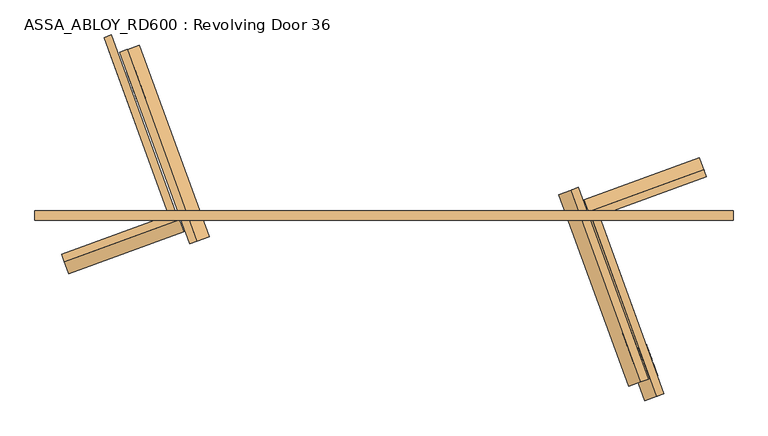
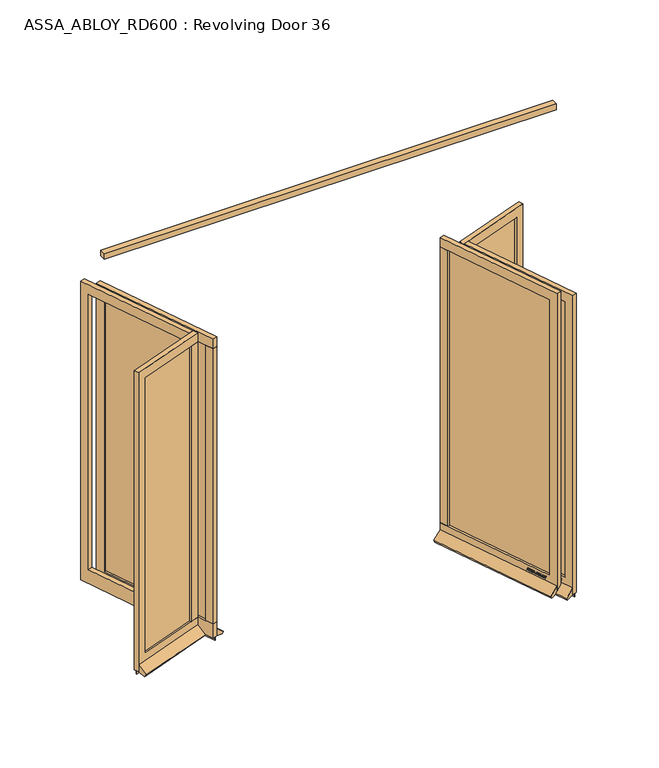
"""IFC4 building model written with IfcOpenShell, lengths in millimetres: door geometry, ASSA_ABLOY_RD600 : Revolving Door 36."""

from ifc_helpers import new_model, si_unit, frame, origin, place, context, project, spatial, polyline, outline, extrude, source, transform, mapped, element, save


def assa_abloy_rd600_revolving_door_36_b6f8ceaa(model_context):
    return source(origin(), model_context, "Body", "SweptSolid", [
        extrude(outline(polyline([(1841.0, -25.0), (-1841.0, -25.0), (-1841.0, 25.0), (1841.0, 25.0), (1841.0, -25.0)])), frame((0.0, 0.0, 3500.0), z_axis=(0.0, 0.0, 1.0), x_axis=(1.0, 0.0, 0.0)), (0.0, 0.0, 1.0), 50.0),
        extrude(outline(polyline([(0.0, 0.0), (1006.0, 0.0), (1006.0, -120.0), (-70.0, -120.0), (-70.0, 2452.0), (1006.0, 2452.0), (1006.0, 2372.0), (0.0, 2372.0), (0.0, 0.0)])), frame((1330.8013069, -810.5827612, 148.0), z_axis=(0.9396926207858558, 0.34202014332581326, 0.0), x_axis=(-0.34202014332581326, 0.9396926207858558, 0.0)), (0.0, 0.0, 1.0), 40.0),
        extrude(outline(polyline([(1048.2581576, 82.6503375), (1010.6704527, 68.9695318), (986.7290427, 134.7480153), (1024.3167475, 148.428821), (1048.2581576, 82.6503375)])), frame((0.0, 0.0, 148.0), z_axis=(0.0, 0.0, 1.0), x_axis=(1.0, 0.0, 0.0)), (0.0, 0.0, 1.0), 2372.0),
        extrude(outline(polyline([(1346.7760814, -804.7684188), (1026.6452273, 74.7838742), (1032.283383, 76.8359951), (1352.4142372, -802.7162979), (1346.7760814, -804.7684188)])), frame((0.0, 0.0, 148.0), z_axis=(0.0, 0.0, 1.0), x_axis=(1.0, 0.0, 0.0)), (0.0, 0.0, 1.0), 2372.0),
        extrude(outline(polyline([(1370.7174915, -870.5469023), (1002.7038173, 140.5623577), (1008.341973, 142.6144786), (1376.3556472, -868.4947814), (1370.7174915, -870.5469023)])), frame((0.0, 0.0, -1.0), z_axis=(0.0, 0.0, 1.0), x_axis=(1.0, 0.0, 0.0)), (0.0, 0.0, 1.0), 29.0),
        extrude(outline(polyline([(21.1919362, 1e-07), (20.214336, -2.6529929), (14.2348715, -2.5853724), (11.2716326, -10.6269535), (15.8652682, -14.4554101), (14.8894584, -17.1035441), (-1.2354289, -3.3526833), (0.0, 0.0), (21.1919362, 1e-07)]), holes=[polyline([(11.7626281, -2.5849674), (1.6611384, -2.5160753), (9.3848751, -9.0376681), (11.7626281, -2.5849674)])]), frame((1354.2868912, -758.1566979, 122.8848654), z_axis=(0.9396926207858602, 0.34202014332580105, 0.0), x_axis=(-0.11825756092416981, 0.3249099783187935, -0.9383222555567716)), (0.0, 0.0, 1.0), 2.0),
        extrude(outline(polyline([(3.5121291, 0.0), (5.4926863, -1.2764387), (6.787432, -3.3659463), (7.2092232, -6.1919011), (6.5093631, -9.6341389), (4.8247981, -13.2083906), (2.5145629, -16.157079), (-0.6567352, -15.0446471), (2.4447822, -12.1320668), (4.3562346, -8.76362), (4.8029446, -4.7524081), (2.9863484, -2.6252692), (0.9295188, -2.6144293), (-0.6628891, -4.2207408), (-1.8238571, -6.2006452), (-3.0893834, -8.4786223), (-6.2388815, -11.6844271), (-9.9996043, -11.7673438), (-13.1300796, -8.3561655), (-12.7977466, -2.5981571), (-11.0920113, 1.0208017), (-9.0699595, 3.711135), (-6.0403681, 2.6484111), (-8.71119, 0.0484617), (-10.6514742, -3.4882217), (-11.0208469, -7.16163), (-9.3614355, -9.1814982), (-7.3063201, -9.1972245), (-5.5118808, -7.3434952), (-4.250422, -5.1162244), (-2.818732, -2.6852578), (0.0, 0.0), (3.5121291, 0.0)])), frame((1346.1708248, -735.8579888, 111.999973), z_axis=(0.9396926207858602, 0.34202014332580105, 0.0), x_axis=(-0.11321109633799091, 0.3110449308201957, -0.9436282629706519)), (0.0, 0.0, 1.0), 2.0),
        extrude(outline(polyline([(3.5121291, 0.0), (5.4926863, -1.2764388), (6.787432, -3.3659463), (7.2092232, -6.1919012), (6.5093631, -9.6341389), (4.8247981, -13.2083906), (2.5145629, -16.157079), (-0.6567352, -15.0446471), (2.4447822, -12.1320668), (4.3562345, -8.7636201), (4.8029446, -4.7524081), (2.9863484, -2.6252693), (0.9295188, -2.6144293), (-0.6628891, -4.2207409), (-1.8238571, -6.2006452), (-3.0893834, -8.4786223), (-6.2388815, -11.6844271), (-9.9996043, -11.7673438), (-13.1300796, -8.3561655), (-12.7977466, -2.5981571), (-11.0920113, 1.0208017), (-9.0699595, 3.711135), (-6.0403681, 2.6484111), (-8.71119, 0.0484616), (-10.6514742, -3.4882218), (-11.0208469, -7.16163), (-9.3614355, -9.1814982), (-7.3063201, -9.1972245), (-5.5118808, -7.3434952), (-4.250422, -5.1162245), (-2.8187321, -2.6852579), (0.0, 0.0), (3.5121291, 0.0)])), frame((1339.7098515, -718.1066105, 111.999973), z_axis=(0.9396926207858602, 0.34202014332580105, 0.0), x_axis=(-0.11321109633799091, 0.3110449308201957, -0.9436282629706519)), (0.0, 0.0, 1.0), 2.0),
        extrude(outline(polyline([(21.1919362, 1e-07), (20.214336, -2.6529929), (14.2348715, -2.5853723), (11.2716326, -10.6269535), (15.8652682, -14.4554101), (14.8894584, -17.1035441), (-1.2354289, -3.3526834), (0.0, 0.0), (21.1919362, 1e-07)]), holes=[polyline([(11.7626281, -2.5849674), (1.6611384, -2.5160753), (9.3848751, -9.0376682), (11.7626281, -2.5849674)])]), frame((1334.9039713, -704.9025631, 122.8848654), z_axis=(0.9396926207858602, 0.34202014332580105, 0.0), x_axis=(-0.11825756092416981, 0.3249099783187935, -0.9383222555567716)), (0.0, 0.0, 1.0), 2.0),
        extrude(outline(polyline([(21.1919362, 0.0), (20.214336, -2.6529929), (14.2348715, -2.5853724), (11.2716326, -10.6269535), (15.8652682, -14.4554102), (14.8894584, -17.1035441), (-1.2354289, -3.3526833), (0.0, 0.0), (21.1919362, 0.0)]), holes=[polyline([(11.7626281, -2.5849674), (1.6611384, -2.5160752), (9.3848751, -9.0376681), (11.7626281, -2.5849674)])]), frame((1325.1558361, -678.1197819, 122.8848654), z_axis=(0.9396926207858602, 0.34202014332580105, 0.0), x_axis=(-0.11825756092416981, 0.3249099783187935, -0.9383222555567716)), (0.0, 0.0, 1.0), 2.0),
        extrude(outline(polyline([(3.6247797, -1e-07), (5.9232413, -1.3859293), (7.2049821, -3.4426963), (7.5842828, -6.2202288), (6.8194358, -9.6251298), (4.5055294, -16.4081519), (-14.3144162, -9.9880648), (-12.3716711, -4.2930708), (-11.1479956, -1.1951535), (-9.8352433, 0.5920774), (-7.9241126, 1.6554024), (-5.7320772, 1.4410869), (-3.7068839, -0.0321767), (-2.8147562, -2.4211003), (0.0, 0.0), (3.6247797, -1e-07)]), holes=[polyline([(-5.2214253, -2.9241787), (-9.3653605, -2.9303688), (-10.1960736, -5.1008933), (-11.2627443, -8.2277489), (-5.9304264, -10.0467736), (-4.7734732, -6.6552625), (-5.2214253, -2.9241787)]), polyline([(2.8765907, -2.5461079), (0.9746905, -2.2912471), (-0.5832316, -3.1932877), (-1.5099769, -4.5787397), (-2.347091, -6.7279308), (-3.7347661, -10.7957837), (3.1658807, -13.1498157), (4.3362091, -9.7190964), (5.1175974, -6.8751818), (5.1102534, -4.8838351), (4.3679308, -3.4351117), (2.8765907, -2.5461079)])]), frame((1316.8157256, -655.2055164, 112.561824), z_axis=(0.9396926207858604, 0.3420201433258011, 0.0), x_axis=(-0.11042564634822187, 0.30339196987028844, -0.9464457138403678)), (0.0, 0.0, 1.0), 2.0),
        extrude(outline(polyline([(2.319901, 0.0), (2.319901, -12.5937481), (-17.5649644, -12.5937481), (-17.5649644, -9.9424327), (0.0, -9.9424327), (0.0, 0.0), (2.319901, 0.0)])), frame((1310.8612869, -638.8458307, 105.319901), z_axis=(0.9396926207858602, 0.34202014332580105, 0.0), x_axis=(0.0, 0.0, -1.0)), (0.0, 0.0, 1.0), 2.0),
        extrude(outline(polyline([(3.4755123, 0.0), (6.8343334, -1.6217536), (9.8417791, -4.8358203), (11.7934802, -8.7947163), (12.1283676, -12.475947), (10.9175763, -15.7640054), (8.2007387, -18.4707047), (4.7147758, -20.0502835), (1.2097864, -20.048671), (-2.1257686, -18.4422905), (-5.1361655, -15.2239686), (-7.0812776, -11.3109182), (-7.4345587, -7.5668217), (-6.1998493, -4.2905332), (-3.5095376, -1.5864763), (0.0, 0.0), (3.4755123, 0.0)]), holes=[polyline([(7.663169, -6.3468237), (2.8864763, -2.494471), (-2.1788994, -3.4868578), (-4.8960977, -7.8921765), (-2.9575554, -13.7129652), (1.8513939, -17.5618518), (6.887121, -16.5585186), (9.5892894, -12.1951337), (7.663169, -6.3468237)])]), frame((1305.88361, -625.1697757, 122.5197917), z_axis=(0.9396926207858602, 0.34202014332580105, 0.0), x_axis=(-0.2810410816456137, 0.7721540257600883, -0.5699070721880477)), (0.0, 0.0, 1.0), 2.0),
        extrude(outline(polyline([(3.1691504, 0.0), (-4.1219669, -11.1645234), (-4.1219669, -19.8848654), (-6.7732823, -19.8848654), (-6.7732823, -11.4441543), (-14.0643997, 0.0), (-10.921141, 0.0), (-5.4320896, -8.8964059), (0.0, 0.0), (3.1691504, 0.0)])), frame((1298.6832024, -605.3868183, 122.8848654), z_axis=(0.9396926207858602, 0.34202014332580105, 0.0), x_axis=(-0.34202014332580105, 0.9396926207858602, 0.0)), (0.0, 0.0, 1.0), 2.0),
        extrude(outline(polyline([(-21.1919362, 1e-07), (0.0, 0.0), (1.2354289, -3.3526834), (-14.8894584, -17.1035441), (-15.8652682, -14.4554101), (-11.2716326, -10.6269535), (-14.2348715, -2.5853723), (-20.214336, -2.6529929), (-21.1919362, 1e-07)]), holes=[polyline([(-11.7626281, -2.5849674), (-9.3848751, -9.0376682), (-1.6611384, -2.5160752), (-11.7626281, -2.5849674)])]), frame((1262.0870656, -627.6395438, 122.8848654), z_axis=(0.939692620785858, 0.3420201433258071, 0.0), x_axis=(-0.11825756092417189, 0.3249099783187927, 0.9383222555567716)), (0.0, 0.0, 1.0), 2.0),
        extrude(outline(polyline([(-3.5121291, 0.0), (0.0, 0.0), (2.8187321, -2.6852579), (4.250422, -5.1162245), (5.5118808, -7.3434952), (7.3063201, -9.1972245), (9.3614355, -9.1814982), (11.0208469, -7.16163), (10.6514742, -3.4882218), (8.71119, 0.0484616), (6.0403681, 2.6484111), (9.0699595, 3.711135), (11.0920113, 1.0208017), (12.7977466, -2.5981571), (13.1300796, -8.3561655), (9.9996043, -11.7673438), (6.2388815, -11.6844271), (3.0893834, -8.4786223), (1.8238571, -6.2006452), (0.6628891, -4.2207408), (-0.9295188, -2.6144293), (-2.9863484, -2.6252693), (-4.8029446, -4.7524081), (-4.3562345, -8.76362), (-2.4447823, -12.1320668), (0.6567352, -15.0446471), (-2.5145629, -16.157079), (-4.8247981, -13.2083905), (-6.5093631, -9.6341389), (-7.2092232, -6.1919012), (-6.787432, -3.3659463), (-5.4926863, -1.2764386), (-3.5121291, 0.0)])), frame((1270.203132, -649.9382529, 111.999973), z_axis=(0.939692620785858, 0.3420201433258071, 0.0), x_axis=(-0.11321109633799145, 0.31104493082019086, 0.9436282629706535)), (0.0, 0.0, 1.0), 2.0),
        extrude(outline(polyline([(-3.5121291, 0.0), (0.0, 0.0), (2.8187321, -2.6852579), (4.250422, -5.1162244), (5.5118808, -7.3434953), (7.3063201, -9.1972245), (9.3614355, -9.1814982), (11.0208469, -7.16163), (10.6514742, -3.4882218), (8.71119, 0.0484616), (6.0403681, 2.648411), (9.0699596, 3.7111349), (11.0920114, 1.0208016), (12.7977466, -2.5981572), (13.1300797, -8.3561656), (9.9996044, -11.7673439), (6.2388815, -11.6844271), (3.0893834, -8.4786224), (1.8238571, -6.2006453), (0.6628891, -4.2207408), (-0.9295188, -2.6144294), (-2.9863484, -2.6252693), (-4.8029446, -4.7524081), (-4.3562345, -8.76362), (-2.4447823, -12.1320668), (0.6567353, -15.0446472), (-2.5145629, -16.1570791), (-4.824798, -13.2083906), (-6.5093631, -9.6341389), (-7.2092232, -6.1919012), (-6.787432, -3.3659464), (-5.4926863, -1.2764387), (-3.5121291, 0.0)])), frame((1276.6641053, -667.6896312, 111.999973), z_axis=(0.939692620785858, 0.3420201433258071, 0.0), x_axis=(-0.11321109633799145, 0.31104493082019086, 0.9436282629706535)), (0.0, 0.0, 1.0), 2.0),
        extrude(outline(polyline([(-21.1919362, 0.0), (0.0, 0.0), (1.2354289, -3.3526834), (-14.8894584, -17.1035441), (-15.8652682, -14.4554101), (-11.2716326, -10.6269535), (-14.2348715, -2.5853723), (-20.214336, -2.6529929), (-21.1919362, 0.0)]), holes=[polyline([(-11.7626281, -2.5849674), (-9.3848751, -9.0376682), (-1.6611384, -2.5160752), (-11.7626281, -2.5849674)])]), frame((1281.4699855, -680.8936786, 122.8848654), z_axis=(0.939692620785858, 0.3420201433258071, 0.0), x_axis=(-0.11825756092417189, 0.3249099783187927, 0.9383222555567716)), (0.0, 0.0, 1.0), 2.0),
        extrude(outline(polyline([(-21.1919362, 1e-07), (0.0, 0.0), (1.2354289, -3.3526834), (-14.8894584, -17.1035441), (-15.8652682, -14.4554101), (-11.2716326, -10.6269535), (-14.2348715, -2.5853723), (-20.214336, -2.6529929), (-21.1919362, 1e-07)]), holes=[polyline([(-11.7626281, -2.5849674), (-9.3848751, -9.0376682), (-1.6611384, -2.5160752), (-11.7626281, -2.5849674)])]), frame((1291.2181207, -707.6764598, 122.8848654), z_axis=(0.939692620785858, 0.3420201433258071, 0.0), x_axis=(-0.11825756092417189, 0.3249099783187927, 0.9383222555567716)), (0.0, 0.0, 1.0), 2.0),
        extrude(outline(polyline([(-3.6247797, 0.0), (0.0, 0.0), (2.8147562, -2.4211002), (3.7068839, -0.0321766), (5.7320771, 1.441087), (7.9241126, 1.6554025), (9.8352433, 0.5920774), (11.1479956, -1.1951534), (12.3716711, -4.2930708), (14.3144162, -9.9880647), (-4.5055294, -16.4081518), (-6.8194358, -9.6251298), (-7.5842828, -6.2202287), (-7.2049821, -3.4426962), (-5.9232413, -1.3859292), (-3.6247797, 0.0)]), holes=[polyline([(5.2214253, -2.9241786), (4.7734732, -6.6552624), (5.9304264, -10.0467735), (11.2627443, -8.2277488), (10.1960736, -5.1008932), (9.3653605, -2.9303687), (5.2214253, -2.9241786)]), polyline([(-2.8765906, -2.5461079), (-4.3679308, -3.4351117), (-5.1102534, -4.8838351), (-5.1175974, -6.8751817), (-4.3362091, -9.7190964), (-3.1658807, -13.1498156), (3.734766, -10.7957836), (2.347091, -6.7279308), (1.5099769, -4.5787396), (0.5832315, -3.1932876), (-0.9746905, -2.291247), (-2.8765906, -2.5461079)])]), frame((1299.5582313, -730.5907252, 112.561824), z_axis=(0.939692620785858, 0.34202014332580716, 0.0), x_axis=(-0.11042564634822383, 0.3033919698702877, 0.9464457138403678)), (0.0, 0.0, 1.0), 2.0),
        extrude(outline(polyline([(-2.319901, 0.0), (0.0, 0.0), (0.0, -9.9424327), (17.5649644, -9.9424327), (17.5649644, -12.5937481), (-2.319901, -12.5937481), (-2.319901, 0.0)])), frame((1305.5126699, -746.950411, 105.319901), z_axis=(0.939692620785858, 0.3420201433258071, 0.0), x_axis=(0.0, 0.0, 1.0)), (0.0, 0.0, 1.0), 2.0),
        extrude(outline(polyline([(-3.4755123, 0.0), (0.0, 0.0), (3.5095377, -1.5864764), (6.1998493, -4.2905332), (7.4345588, -7.5668217), (7.0812776, -11.3109182), (5.1361655, -15.2239686), (2.1257686, -18.4422905), (-1.2097864, -20.048671), (-4.7147757, -20.0502836), (-8.2007386, -18.4707048), (-10.9175762, -15.7640054), (-12.1283676, -12.475947), (-11.7934802, -8.7947164), (-9.841779, -4.8358203), (-6.8343334, -1.6217536), (-3.4755123, 0.0)]), holes=[polyline([(-7.6631689, -6.3468237), (-9.5892893, -12.1951337), (-6.8871209, -16.5585186), (-1.8513938, -17.5618518), (2.9575554, -13.7129653), (4.8960977, -7.8921765), (2.1788995, -3.4868579), (-2.8864763, -2.494471), (-7.6631689, -6.3468237)])]), frame((1310.4903469, -760.626466, 122.5197917), z_axis=(0.939692620785858, 0.3420201433258071, 0.0), x_axis=(-0.28104108164561903, 0.7721540257600874, 0.5699070721880464)), (0.0, 0.0, 1.0), 2.0),
        extrude(outline(polyline([(-3.1691505, 0.0), (0.0, 0.0), (5.4320895, -8.8964059), (10.9211409, 0.0), (14.0643996, 0.0), (6.7732823, -11.4441543), (6.7732823, -19.8848654), (4.1219669, -19.8848654), (4.1219669, -11.1645234), (-3.1691505, 0.0)])), frame((1317.6907545, -780.4094233, 122.8848654), z_axis=(0.939692620785858, 0.3420201433258071, 0.0), x_axis=(-0.3420201433258071, 0.939692620785858, 0.0)), (0.0, 0.0, 1.0), 2.0),
        extrude(outline(polyline([(16.3017207, 0.0), (20.0, 0.0), (20.0, 58.7981528), (88.5222617, 2.8076911), (78.5957563, -16.6009104), (16.3017207, 0.0)])), frame((1373.5365693, -869.5208418, 28.0), z_axis=(-0.34202014332581326, 0.9396926207858558, 0.0), x_axis=(-0.9396926207858558, -0.34202014332581326, 0.0)), (0.0, 0.0, 1.0), 1076.0),
        extrude(outline(polyline([(1006.0, 0.0), (1006.0, -120.0), (0.0, -120.0), (0.0, -2492.0), (1006.0, -2492.0), (1006.0, -2572.0), (-70.0000001, -2572.0), (-70.0000001, 0.0), (1006.0, 0.0)])), frame((-1368.3890117, 796.9019555, 28.0), z_axis=(0.939692620786613, 0.3420201433237329, 0.0), x_axis=(0.3420201433237329, -0.939692620786613, 0.0)), (0.0, 0.0, 1.0), 40.0),
        extrude(outline(polyline([(-1048.2581576, -82.6503375), (-1010.6704527, -68.9695318), (-986.7290427, -134.7480153), (-1024.3167475, -148.428821), (-1048.2581576, -82.6503375)])), frame((0.0, 0.0, 148.0), z_axis=(0.0, 0.0, 1.0), x_axis=(1.0, 0.0, 0.0)), (0.0, 0.0, 1.0), 2372.0),
        extrude(outline(polyline([(-1346.7760814, 804.7684188), (-1026.6452273, -74.7838742), (-1032.283383, -76.8359951), (-1352.4142372, 802.716298), (-1346.7760814, 804.7684188)])), frame((0.0, 0.0, 148.0), z_axis=(0.0, 0.0, 1.0), x_axis=(1.0, 0.0, 0.0)), (0.0, 0.0, 1.0), 2372.0),
        extrude(outline(polyline([(-1370.7174915, 870.5469023), (-1002.7038173, -140.5623577), (-1008.341973, -142.6144786), (-1376.3556472, 868.4947814), (-1370.7174915, 870.5469023)])), frame((0.0, 0.0, -1.0), z_axis=(0.0, 0.0, 1.0), x_axis=(1.0, 0.0, 0.0)), (0.0, 0.0, 1.0), 29.0),
        extrude(outline(polyline([(-21.1919362, 1e-07), (0.0, 0.0), (1.2354289, -3.3526834), (-14.8894584, -17.1035441), (-15.8652682, -14.4554101), (-11.2716326, -10.6269535), (-14.2348715, -2.5853723), (-20.214336, -2.6529929), (-21.1919362, 1e-07)]), holes=[polyline([(-11.7626281, -2.5849674), (-9.3848751, -9.0376682), (-1.6611384, -2.5160752), (-11.7626281, -2.5849674)])]), frame((-1356.1662765, 757.4726576, 122.8848654), z_axis=(0.9396926207866175, 0.34202014332372066, 0.0), x_axis=(-0.11825756092345048, 0.3249099783190553, 0.9383222555567716)), (0.0, 0.0, 1.0), 2.0),
        extrude(outline(polyline([(-3.5121291, 0.0), (0.0, 0.0), (2.8187321, -2.6852579), (4.250422, -5.1162244), (5.5118808, -7.3434952), (7.3063201, -9.1972245), (9.3614355, -9.1814982), (11.0208469, -7.16163), (10.6514742, -3.4882217), (8.71119, 0.0484617), (6.0403681, 2.6484111), (9.0699595, 3.711135), (11.0920113, 1.0208017), (12.7977466, -2.5981571), (13.1300796, -8.3561655), (9.9996043, -11.7673438), (6.2388815, -11.6844271), (3.0893834, -8.4786223), (1.8238571, -6.2006452), (0.6628891, -4.2207407), (-0.9295188, -2.6144293), (-2.9863484, -2.6252692), (-4.8029446, -4.7524081), (-4.3562345, -8.76362), (-2.4447823, -12.1320668), (0.6567352, -15.0446471), (-2.5145629, -16.157079), (-4.8247981, -13.2083905), (-6.5093631, -9.6341389), (-7.2092232, -6.1919011), (-6.787432, -3.3659463), (-5.4926863, -1.2764386), (-3.5121291, 0.0)])), frame((-1348.0502101, 735.1739485, 111.999973), z_axis=(0.9396926207866174, 0.34202014332372066, 0.0), x_axis=(-0.1132110963373023, 0.31104493082044626, 0.9436282629706519)), (0.0, 0.0, 1.0), 2.0),
        extrude(outline(polyline([(-3.5121291, 0.0), (0.0, 0.0), (2.8187321, -2.6852579), (4.250422, -5.1162244), (5.5118808, -7.3434952), (7.3063201, -9.1972245), (9.3614355, -9.1814982), (11.0208469, -7.16163), (10.6514742, -3.4882218), (8.71119, 0.0484616), (6.0403681, 2.6484111), (9.0699595, 3.711135), (11.0920113, 1.0208017), (12.7977466, -2.5981571), (13.1300796, -8.3561655), (9.9996043, -11.7673438), (6.2388815, -11.6844271), (3.0893834, -8.4786223), (1.8238571, -6.2006452), (0.6628891, -4.2207408), (-0.9295188, -2.6144293), (-2.9863484, -2.6252693), (-4.8029446, -4.7524081), (-4.3562345, -8.76362), (-2.4447823, -12.1320668), (0.6567352, -15.0446471), (-2.5145629, -16.157079), (-4.824798, -13.2083906), (-6.5093631, -9.6341389), (-7.2092232, -6.1919012), (-6.787432, -3.3659463), (-5.4926863, -1.2764387), (-3.5121291, 0.0)])), frame((-1341.5892368, 717.4225702, 111.999973), z_axis=(0.9396926207866174, 0.34202014332372066, 0.0), x_axis=(-0.1132110963373023, 0.31104493082044626, 0.9436282629706519)), (0.0, 0.0, 1.0), 2.0),
        extrude(outline(polyline([(-21.1919362, 0.0), (0.0, 0.0), (1.2354289, -3.3526834), (-14.8894584, -17.1035441), (-15.8652682, -14.4554102), (-11.2716326, -10.6269535), (-14.2348715, -2.5853724), (-20.214336, -2.6529929), (-21.1919362, 0.0)]), holes=[polyline([(-11.7626281, -2.5849674), (-9.3848751, -9.0376682), (-1.6611384, -2.5160753), (-11.7626281, -2.5849674)])]), frame((-1336.7833565, 704.2185228, 122.8848654), z_axis=(0.9396926207866175, 0.34202014332372066, 0.0), x_axis=(-0.11825756092345048, 0.3249099783190553, 0.9383222555567716)), (0.0, 0.0, 1.0), 2.0),
        extrude(outline(polyline([(-21.1919362, 1e-07), (0.0, 0.0), (1.2354289, -3.3526833), (-14.8894584, -17.1035441), (-15.8652682, -14.4554101), (-11.2716326, -10.6269535), (-14.2348715, -2.5853723), (-20.214336, -2.6529929), (-21.1919362, 1e-07)]), holes=[polyline([(-11.7626281, -2.5849674), (-9.3848751, -9.0376681), (-1.6611384, -2.5160752), (-11.7626281, -2.5849674)])]), frame((-1327.0352214, 677.4357416, 122.8848654), z_axis=(0.9396926207866175, 0.34202014332372066, 0.0), x_axis=(-0.11825756092345048, 0.3249099783190553, 0.9383222555567716)), (0.0, 0.0, 1.0), 2.0),
        extrude(outline(polyline([(-3.6247797, 0.0), (0.0, 0.0), (2.8147562, -2.4211002), (3.7068839, -0.0321766), (5.7320771, 1.441087), (7.9241126, 1.6554025), (9.8352433, 0.5920774), (11.1479956, -1.1951534), (12.3716711, -4.2930708), (14.3144162, -9.9880647), (-4.5055294, -16.4081518), (-6.8194358, -9.6251297), (-7.5842828, -6.2202287), (-7.2049821, -3.4426962), (-5.9232413, -1.3859292), (-3.6247797, 0.0)]), holes=[polyline([(5.2214253, -2.9241786), (4.7734732, -6.6552624), (5.9304264, -10.0467735), (11.2627443, -8.2277488), (10.1960736, -5.1008932), (9.3653605, -2.9303687), (5.2214253, -2.9241786)]), polyline([(-2.8765907, -2.5461078), (-4.3679308, -3.4351116), (-5.1102534, -4.883835), (-5.1175974, -6.8751817), (-4.3362091, -9.7190964), (-3.1658807, -13.1498156), (3.734766, -10.7957836), (2.347091, -6.7279308), (1.5099769, -4.5787396), (0.5832315, -3.1932876), (-0.9746905, -2.291247), (-2.8765907, -2.5461078)])]), frame((-1318.6951108, 654.5214762, 112.561824), z_axis=(0.9396926207866174, 0.34202014332372066, 0.0), x_axis=(-0.11042564634755019, 0.3033919698705329, 0.9464457138403678)), (0.0, 0.0, 1.0), 2.0),
        extrude(outline(polyline([(-2.319901, 0.0), (0.0, 0.0), (0.0, -9.9424326), (17.5649644, -9.9424326), (17.5649644, -12.5937481), (-2.319901, -12.5937481), (-2.319901, 0.0)])), frame((-1312.7406722, 638.1617904, 105.319901), z_axis=(0.9396926207866174, 0.34202014332372066, 0.0), x_axis=(0.0, 0.0, 1.0)), (0.0, 0.0, 1.0), 2.0),
        extrude(outline(polyline([(-3.4755123, 0.0), (0.0, 0.0), (3.5095376, -1.5864763), (6.1998493, -4.2905332), (7.4345588, -7.5668217), (7.0812776, -11.3109182), (5.1361655, -15.2239686), (2.1257686, -18.4422905), (-1.2097864, -20.048671), (-4.7147757, -20.0502836), (-8.2007387, -18.4707048), (-10.9175762, -15.7640054), (-12.1283676, -12.475947), (-11.7934802, -8.7947164), (-9.8417791, -4.8358203), (-6.8343334, -1.6217536), (-3.4755123, 0.0)]), holes=[polyline([(-7.6631689, -6.3468237), (-9.5892894, -12.1951337), (-6.8871209, -16.5585186), (-1.8513938, -17.5618518), (2.9575554, -13.7129653), (4.8960977, -7.8921765), (2.1788995, -3.4868579), (-2.8864763, -2.494471), (-7.6631689, -6.3468237)])]), frame((-1307.7629952, 624.4857354, 122.5197917), z_axis=(0.9396926207866174, 0.34202014332372066, 0.0), x_axis=(-0.28104108164390423, 0.7721540257607105, 0.5699070721880477)), (0.0, 0.0, 1.0), 2.0),
        extrude(outline(polyline([(-3.1691505, 0.0), (0.0, 0.0), (5.4320895, -8.8964059), (10.9211409, 0.0), (14.0643996, 0.0), (6.7732823, -11.4441543), (6.7732823, -19.8848654), (4.1219668, -19.8848654), (4.1219668, -11.1645234), (-3.1691505, 0.0)])), frame((-1300.5625876, 604.7027781, 122.8848654), z_axis=(0.9396926207866174, 0.34202014332372066, 0.0), x_axis=(-0.34202014332372066, 0.9396926207866174, 0.0)), (0.0, 0.0, 1.0), 2.0),
        extrude(outline(polyline([(21.1919362, 1e-07), (20.214336, -2.6529929), (14.2348715, -2.5853724), (11.2716326, -10.6269535), (15.8652682, -14.4554101), (14.8894584, -17.1035441), (-1.2354289, -3.3526834), (0.0, 0.0), (21.1919362, 1e-07)]), holes=[polyline([(11.7626281, -2.5849674), (1.6611384, -2.5160753), (9.3848751, -9.0376682), (11.7626281, -2.5849674)])]), frame((-1263.9664509, 626.9555035, 122.8848654), z_axis=(0.9396926207866153, 0.34202014332372677, 0.0), x_axis=(-0.11825756092345256, 0.32490997831905455, -0.9383222555567716)), (0.0, 0.0, 1.0), 2.0),
        extrude(outline(polyline([(3.5121291, 0.0), (5.4926863, -1.2764387), (6.787432, -3.3659463), (7.2092232, -6.1919011), (6.5093631, -9.6341389), (4.8247981, -13.2083906), (2.5145629, -16.157079), (-0.6567352, -15.0446471), (2.4447822, -12.1320668), (4.3562345, -8.7636201), (4.8029446, -4.7524081), (2.9863484, -2.6252692), (0.9295188, -2.6144293), (-0.6628891, -4.2207408), (-1.8238571, -6.2006452), (-3.0893834, -8.4786223), (-6.2388815, -11.6844271), (-9.9996043, -11.7673438), (-13.1300796, -8.3561655), (-12.7977466, -2.5981571), (-11.0920113, 1.0208017), (-9.0699595, 3.711135), (-6.0403681, 2.6484111), (-8.71119, 0.0484616), (-10.6514742, -3.4882217), (-11.0208469, -7.16163), (-9.3614355, -9.1814982), (-7.3063201, -9.1972245), (-5.5118808, -7.3434952), (-4.250422, -5.1162245), (-2.8187321, -2.6852579), (0.0, 0.0), (3.5121291, 0.0)])), frame((-1272.0825173, 649.2542126, 111.999973), z_axis=(0.9396926207866153, 0.34202014332372677, 0.0), x_axis=(-0.11321109633730282, 0.3110449308204415, -0.9436282629706535)), (0.0, 0.0, 1.0), 2.0),
        extrude(outline(polyline([(3.5121291, -1e-07), (5.4926863, -1.2764388), (6.787432, -3.3659464), (7.2092232, -6.1919012), (6.5093631, -9.6341389), (4.824798, -13.2083907), (2.5145629, -16.157079), (-0.6567352, -15.0446471), (2.4447822, -12.1320668), (4.3562345, -8.7636201), (4.8029446, -4.7524081), (2.9863484, -2.6252693), (0.9295188, -2.6144293), (-0.6628891, -4.2207409), (-1.8238571, -6.2006452), (-3.0893834, -8.4786223), (-6.2388815, -11.6844271), (-9.9996043, -11.7673438), (-13.1300796, -8.3561655), (-12.7977466, -2.5981571), (-11.0920113, 1.0208017), (-9.0699595, 3.711135), (-6.0403681, 2.6484111), (-8.71119, 0.0484616), (-10.6514742, -3.4882218), (-11.0208469, -7.16163), (-9.3614355, -9.1814982), (-7.3063201, -9.1972245), (-5.5118808, -7.3434952), (-4.250422, -5.1162245), (-2.8187321, -2.6852579), (0.0, 0.0), (3.5121291, -1e-07)])), frame((-1278.5434906, 667.0055909, 111.999973), z_axis=(0.9396926207866153, 0.34202014332372677, 0.0), x_axis=(-0.11321109633730282, 0.3110449308204415, -0.9436282629706535)), (0.0, 0.0, 1.0), 2.0),
        extrude(outline(polyline([(21.1919362, 1e-07), (20.214336, -2.6529929), (14.2348715, -2.5853723), (11.2716326, -10.6269535), (15.8652682, -14.4554101), (14.8894584, -17.1035441), (-1.2354289, -3.3526834), (0.0, 0.0), (21.1919362, 1e-07)]), holes=[polyline([(11.7626281, -2.5849674), (1.6611384, -2.5160753), (9.3848751, -9.0376682), (11.7626281, -2.5849674)])]), frame((-1283.3493708, 680.2096383, 122.8848654), z_axis=(0.9396926207866153, 0.34202014332372677, 0.0), x_axis=(-0.11825756092345256, 0.32490997831905455, -0.9383222555567716)), (0.0, 0.0, 1.0), 2.0),
        extrude(outline(polyline([(21.1919362, 1e-07), (20.214336, -2.6529929), (14.2348715, -2.5853723), (11.2716326, -10.6269535), (15.8652682, -14.4554101), (14.8894584, -17.1035441), (-1.2354289, -3.3526833), (0.0, 0.0), (21.1919362, 1e-07)]), holes=[polyline([(11.7626281, -2.5849674), (1.6611384, -2.5160752), (9.3848751, -9.0376681), (11.7626281, -2.5849674)])]), frame((-1293.0975059, 706.9924195, 122.8848654), z_axis=(0.9396926207866153, 0.34202014332372677, 0.0), x_axis=(-0.11825756092345256, 0.32490997831905455, -0.9383222555567716)), (0.0, 0.0, 1.0), 2.0),
        extrude(outline(polyline([(3.6247797, 0.0), (5.9232413, -1.3859292), (7.2049821, -3.4426962), (7.5842828, -6.2202287), (6.8194358, -9.6251297), (4.5055294, -16.4081518), (-14.3144162, -9.9880647), (-12.3716711, -4.2930707), (-11.1479956, -1.1951534), (-9.8352433, 0.5920774), (-7.9241126, 1.6554025), (-5.7320771, 1.441087), (-3.7068838, -0.0321766), (-2.8147562, -2.4211002), (0.0, 0.0), (3.6247797, 0.0)]), holes=[polyline([(-5.2214252, -2.9241786), (-9.3653605, -2.9303687), (-10.1960736, -5.1008932), (-11.2627443, -8.2277488), (-5.9304264, -10.0467735), (-4.7734732, -6.6552624), (-5.2214252, -2.9241786)]), polyline([(2.8765907, -2.5461078), (0.9746905, -2.291247), (-0.5832315, -3.1932876), (-1.5099769, -4.5787396), (-2.347091, -6.7279308), (-3.734766, -10.7957836), (3.1658807, -13.1498156), (4.3362091, -9.7190964), (5.1175974, -6.8751817), (5.1102534, -4.883835), (4.3679308, -3.4351116), (2.8765907, -2.5461078)])]), frame((-1301.4376165, 729.9066849, 112.561824), z_axis=(0.9396926207866152, 0.3420201433237267, 0.0), x_axis=(-0.11042564634755214, 0.3033919698705322, -0.9464457138403678)), (0.0, 0.0, 1.0), 2.0),
        extrude(outline(polyline([(2.319901, 0.0), (2.319901, -12.5937482), (-17.5649644, -12.5937482), (-17.5649644, -9.9424327), (0.0, -9.9424327), (0.0, 0.0), (2.319901, 0.0)])), frame((-1307.3920552, 746.2663707, 105.319901), z_axis=(0.9396926207866152, 0.3420201433237267, 0.0), x_axis=(0.0, 0.0, -1.0)), (0.0, 0.0, 1.0), 2.0),
        extrude(outline(polyline([(3.4755123, 0.0), (6.8343334, -1.6217536), (9.8417791, -4.8358203), (11.7934802, -8.7947163), (12.1283676, -12.475947), (10.9175762, -15.7640054), (8.2007387, -18.4707048), (4.7147757, -20.0502836), (1.2097864, -20.048671), (-2.1257686, -18.4422905), (-5.1361655, -15.2239686), (-7.0812776, -11.3109182), (-7.4345587, -7.5668217), (-6.1998493, -4.2905332), (-3.5095376, -1.5864763), (0.0, 0.0), (3.4755123, 0.0)]), holes=[polyline([(7.6631689, -6.3468237), (2.8864763, -2.494471), (-2.1788995, -3.4868579), (-4.8960977, -7.8921765), (-2.9575554, -13.7129652), (1.8513938, -17.5618518), (6.8871209, -16.5585186), (9.5892894, -12.1951337), (7.6631689, -6.3468237)])]), frame((-1312.3697321, 759.9424257, 122.5197917), z_axis=(0.9396926207866152, 0.3420201433237267, 0.0), x_axis=(-0.2810410816439095, 0.7721540257607096, -0.5699070721880464)), (0.0, 0.0, 1.0), 2.0),
        extrude(outline(polyline([(3.1691505, 0.0), (-4.1219668, -11.1645234), (-4.1219668, -19.8848654), (-6.7732823, -19.8848654), (-6.7732823, -11.4441543), (-14.0643996, 0.0), (-10.9211409, 0.0), (-5.4320895, -8.8964059), (0.0, 0.0), (3.1691505, 0.0)])), frame((-1319.5701397, 779.725383, 122.8848654), z_axis=(0.9396926207866152, 0.3420201433237267, 0.0), x_axis=(-0.3420201433237267, 0.9396926207866152, 0.0)), (0.0, 0.0, 1.0), 2.0),
        extrude(outline(polyline([(16.3017206, 0.0), (78.5957564, 16.6009104), (88.5222618, -2.8076911), (20.0, -58.7981528), (20.0, 0.0), (16.3017206, 0.0)])), frame((-1005.5228951, -141.5884181, 28.0), z_axis=(-0.3420201433237329, 0.939692620786613, 0.0), x_axis=(0.939692620786613, 0.3420201433237329, 0.0)), (0.0, 0.0, 1.0), 1076.0),
        extrude(outline(polyline([(0.0, 0.0), (928.0, 0.0), (928.0, -120.0), (-69.9999999, -120.0), (-69.9999999, 2452.0), (928.0, 2452.0), (928.0, 2372.0), (0.0, 2372.0), (0.0, 0.0)])), frame((1414.6134636, -887.0511876, 148.0), z_axis=(0.939692620785858, 0.3420201433258072, 0.0), x_axis=(-0.3420201433258072, 0.939692620785858, 0.0)), (0.0, 0.0, 1.0), 40.0),
        extrude(outline(polyline([(1158.7478854, -67.1141132), (1121.1601806, -80.794919), (1097.2187705, -15.0164355), (1134.8064754, -1.3356298), (1158.7478854, -67.1141132)])), frame((0.0, 0.0, 148.0), z_axis=(0.0, 0.0, 1.0), x_axis=(1.0, 0.0, 0.0)), (0.0, 0.0, 1.0), 2372.0),
        extrude(outline(polyline([(1430.5882381, -881.2368452), (1137.1349551, -74.9805765), (1142.7731109, -72.9284557), (1436.2263938, -879.1847243), (1430.5882381, -881.2368452)])), frame((0.0, 0.0, 148.0), z_axis=(0.0, 0.0, 1.0), x_axis=(1.0, 0.0, 0.0)), (0.0, 0.0, 1.0), 2372.0),
        extrude(outline(polyline([(1454.5296481, -947.0153286), (1113.1935451, -9.2020931), (1118.8317008, -7.1499722), (1460.1678039, -944.9632077), (1454.5296481, -947.0153286)])), frame((0.0, 0.0, -1.0), z_axis=(0.0, 0.0, 1.0), x_axis=(1.0, 0.0, 0.0)), (0.0, 0.0, 1.0), 29.0),
        extrude(outline(polyline([(21.1919362, 0.0), (20.214336, -2.6529929), (14.2348715, -2.5853723), (11.2716326, -10.6269535), (15.8652682, -14.4554101), (14.8894584, -17.1035441), (-1.2354289, -3.3526834), (0.0, 0.0), (21.1919362, 0.0)]), holes=[polyline([(11.7626281, -2.5849674), (1.6611384, -2.5160752), (9.3848751, -9.0376682), (11.7626281, -2.5849674)])]), frame((1438.0990479, -834.6251242, 122.8848654), z_axis=(0.9396926207858626, 0.342020143325795, 0.0), x_axis=(-0.11825756092416771, 0.32490997831879426, -0.9383222555567716)), (0.0, 0.0, 1.0), 2.0),
        extrude(outline(polyline([(3.5121291, 0.0), (5.4926863, -1.2764387), (6.787432, -3.3659463), (7.2092232, -6.1919012), (6.5093631, -9.6341389), (4.8247981, -13.2083905), (2.5145629, -16.157079), (-0.6567352, -15.0446471), (2.4447823, -12.1320668), (4.3562345, -8.76362), (4.8029446, -4.7524081), (2.9863484, -2.6252693), (0.9295188, -2.6144293), (-0.6628891, -4.2207409), (-1.8238571, -6.2006452), (-3.0893834, -8.4786223), (-6.2388815, -11.6844271), (-9.9996043, -11.7673438), (-13.1300796, -8.3561655), (-12.7977466, -2.5981571), (-11.0920113, 1.0208017), (-9.0699595, 3.711135), (-6.0403681, 2.6484111), (-8.71119, 0.0484616), (-10.6514742, -3.4882218), (-11.0208469, -7.16163), (-9.3614355, -9.1814982), (-7.3063201, -9.1972245), (-5.5118808, -7.3434952), (-4.250422, -5.1162245), (-2.8187321, -2.6852579), (0.0, 0.0), (3.5121291, 0.0)])), frame((1429.9829815, -812.3264151, 111.999973), z_axis=(0.9396926207858625, 0.342020143325795, 0.0), x_axis=(-0.11321109633798818, 0.31104493082019435, -0.9436282629706527)), (0.0, 0.0, 1.0), 2.0),
        extrude(outline(polyline([(3.5121291, 0.0), (5.4926863, -1.2764387), (6.787432, -3.3659464), (7.2092232, -6.1919012), (6.5093631, -9.6341389), (4.824798, -13.2083906), (2.5145629, -16.1570791), (-0.6567353, -15.0446472), (2.4447823, -12.1320668), (4.3562345, -8.76362), (4.8029446, -4.7524082), (2.9863484, -2.6252693), (0.9295188, -2.6144294), (-0.6628891, -4.2207409), (-1.8238571, -6.2006453), (-3.0893834, -8.4786224), (-6.2388815, -11.6844271), (-9.9996044, -11.7673439), (-13.1300797, -8.3561656), (-12.7977466, -2.5981572), (-11.0920114, 1.0208016), (-9.0699596, 3.7111349), (-6.0403681, 2.648411), (-8.71119, 0.0484616), (-10.6514742, -3.4882218), (-11.0208469, -7.1616301), (-9.3614355, -9.1814983), (-7.3063201, -9.1972245), (-5.5118808, -7.3434953), (-4.250422, -5.1162245), (-2.8187321, -2.6852579), (0.0, 0.0), (3.5121291, 0.0)])), frame((1423.5220082, -794.5750368, 111.999973), z_axis=(0.9396926207858625, 0.342020143325795, 0.0), x_axis=(-0.11321109633798818, 0.31104493082019435, -0.9436282629706527)), (0.0, 0.0, 1.0), 2.0),
        extrude(outline(polyline([(21.1919362, 0.0), (20.214336, -2.6529929), (14.2348715, -2.5853724), (11.2716326, -10.6269535), (15.8652682, -14.4554101), (14.8894584, -17.1035442), (-1.2354289, -3.3526834), (0.0, 0.0), (21.1919362, 0.0)]), holes=[polyline([(11.7626281, -2.5849675), (1.6611384, -2.5160752), (9.3848751, -9.0376682), (11.7626281, -2.5849675)])]), frame((1418.716128, -781.3709894, 122.8848654), z_axis=(0.9396926207858626, 0.342020143325795, 0.0), x_axis=(-0.11825756092416771, 0.32490997831879426, -0.9383222555567716)), (0.0, 0.0, 1.0), 2.0),
        extrude(outline(polyline([(21.1919362, 1e-07), (20.214336, -2.6529929), (14.2348715, -2.5853723), (11.2716326, -10.6269535), (15.8652682, -14.4554101), (14.8894584, -17.1035441), (-1.2354289, -3.3526834), (0.0, 0.0), (21.1919362, 1e-07)]), holes=[polyline([(11.7626281, -2.5849674), (1.6611384, -2.5160753), (9.3848751, -9.0376682), (11.7626281, -2.5849674)])]), frame((1408.9679928, -754.5882082, 122.8848654), z_axis=(0.9396926207858626, 0.342020143325795, 0.0), x_axis=(-0.11825756092416771, 0.32490997831879426, -0.9383222555567716)), (0.0, 0.0, 1.0), 2.0),
        extrude(outline(polyline([(3.6247797, 0.0), (5.9232413, -1.3859292), (7.2049821, -3.4426963), (7.5842828, -6.2202288), (6.8194358, -9.6251298), (4.5055294, -16.4081518), (-14.3144162, -9.9880647), (-12.3716711, -4.2930708), (-11.1479955, -1.1951534), (-9.8352432, 0.5920774), (-7.9241126, 1.6554026), (-5.7320771, 1.441087), (-3.7068838, -0.0321766), (-2.8147562, -2.4211002), (0.0, 0.0), (3.6247797, 0.0)]), holes=[polyline([(-5.2214253, -2.9241787), (-9.3653605, -2.9303687), (-10.1960736, -5.1008933), (-11.2627443, -8.2277488), (-5.9304264, -10.0467735), (-4.7734732, -6.6552624), (-5.2214253, -2.9241787)]), polyline([(2.8765907, -2.5461079), (0.9746905, -2.291247), (-0.5832315, -3.1932875), (-1.5099769, -4.5787396), (-2.347091, -6.7279308), (-3.734766, -10.7957836), (3.1658807, -13.1498156), (4.3362091, -9.7190964), (5.1175975, -6.8751817), (5.1102534, -4.8838351), (4.3679308, -3.4351117), (2.8765907, -2.5461079)])]), frame((1400.6278823, -731.6739428, 112.561824), z_axis=(0.9396926207858626, 0.34202014332579506, 0.0), x_axis=(-0.11042564634821991, 0.30339196987028916, -0.9464457138403678)), (0.0, 0.0, 1.0), 2.0),
        extrude(outline(polyline([(2.319901, 0.0), (2.319901, -12.5937481), (-17.5649644, -12.5937481), (-17.5649644, -9.9424328), (0.0, -9.9424328), (0.0, 0.0), (2.319901, 0.0)])), frame((1394.6734436, -715.314257, 105.319901), z_axis=(0.9396926207858625, 0.342020143325795, 0.0), x_axis=(0.0, 0.0, -1.0)), (0.0, 0.0, 1.0), 2.0),
        extrude(outline(polyline([(3.4755123, 0.0), (6.8343334, -1.6217536), (9.841779, -4.8358203), (11.7934802, -8.7947163), (12.1283676, -12.475947), (10.9175762, -15.7640054), (8.2007386, -18.4707048), (4.7147757, -20.0502835), (1.2097864, -20.048671), (-2.1257686, -18.4422905), (-5.1361656, -15.2239687), (-7.0812776, -11.3109182), (-7.4345587, -7.5668217), (-6.1998493, -4.2905332), (-3.5095377, -1.5864764), (0.0, 0.0), (3.4755123, 0.0)]), holes=[polyline([(7.6631689, -6.3468237), (2.8864763, -2.494471), (-2.1788995, -3.4868579), (-4.8960978, -7.8921765), (-2.9575554, -13.7129653), (1.8513938, -17.5618518), (6.8871209, -16.5585187), (9.5892894, -12.1951337), (7.6631689, -6.3468237)])]), frame((1389.6957667, -701.638202, 122.5197917), z_axis=(0.9396926207858625, 0.34202014332579495, 0.0), x_axis=(-0.2810410816456087, 0.7721540257600901, -0.5699070721880477)), (0.0, 0.0, 1.0), 2.0),
        extrude(outline(polyline([(3.1691504, 0.0), (-4.121967, -11.1645234), (-4.121967, -19.8848654), (-6.7732823, -19.8848654), (-6.7732823, -11.4441543), (-14.0643996, 0.0), (-10.9211409, 0.0), (-5.4320896, -8.8964059), (0.0, 0.0), (3.1691504, 0.0)])), frame((1382.495359, -681.8552447, 122.8848654), z_axis=(0.9396926207858625, 0.342020143325795, 0.0), x_axis=(-0.342020143325795, 0.9396926207858625, 0.0)), (0.0, 0.0, 1.0), 2.0),
        extrude(outline(polyline([(-21.1919362, 1e-07), (0.0, 0.0), (1.2354289, -3.3526833), (-14.8894584, -17.1035441), (-15.8652682, -14.4554101), (-11.2716326, -10.6269535), (-14.2348715, -2.5853723), (-20.214336, -2.6529929), (-21.1919362, 1e-07)]), holes=[polyline([(-11.7626281, -2.5849674), (-9.3848751, -9.0376681), (-1.6611384, -2.5160752), (-11.7626281, -2.5849674)])]), frame((1345.8992223, -704.1079701, 122.8848654), z_axis=(0.9396926207858602, 0.34202014332580105, 0.0), x_axis=(-0.1182575609241698, 0.3249099783187935, 0.9383222555567716)), (0.0, 0.0, 1.0), 2.0),
        extrude(outline(polyline([(-3.5121291, 0.0), (0.0, 0.0), (2.8187321, -2.6852579), (4.250422, -5.1162245), (5.5118808, -7.3434953), (7.3063201, -9.1972246), (9.3614355, -9.1814983), (11.0208469, -7.1616301), (10.6514742, -3.4882218), (8.71119, 0.0484616), (6.0403681, 2.648411), (9.0699596, 3.7111349), (11.0920114, 1.0208016), (12.7977466, -2.5981572), (13.1300797, -8.3561656), (9.9996044, -11.7673439), (6.2388815, -11.6844271), (3.0893834, -8.4786224), (1.8238571, -6.2006453), (0.6628891, -4.2207409), (-0.9295188, -2.6144294), (-2.9863484, -2.6252693), (-4.8029446, -4.7524082), (-4.3562345, -8.7636201), (-2.4447822, -12.1320669), (0.6567353, -15.0446472), (-2.5145628, -16.1570791), (-4.824798, -13.2083907), (-6.5093631, -9.6341389), (-7.2092232, -6.1919012), (-6.787432, -3.3659464), (-5.4926863, -1.2764388), (-3.5121291, 0.0)])), frame((1354.0152887, -726.4066793, 111.999973), z_axis=(0.9396926207858602, 0.34202014332580105, 0.0), x_axis=(-0.11321109633798945, 0.3110449308201916, 0.9436282629706535)), (0.0, 0.0, 1.0), 2.0),
        extrude(outline(polyline([(-3.5121291, 0.0), (0.0, 0.0), (2.8187321, -2.6852579), (4.250422, -5.1162245), (5.5118808, -7.3434952), (7.3063201, -9.1972245), (9.3614355, -9.1814982), (11.0208469, -7.16163), (10.6514742, -3.4882218), (8.71119, 0.0484616), (6.0403681, 2.6484111), (9.0699595, 3.711135), (11.0920113, 1.0208017), (12.7977466, -2.5981571), (13.1300796, -8.3561655), (9.9996043, -11.7673438), (6.2388815, -11.6844271), (3.0893834, -8.4786223), (1.8238571, -6.2006452), (0.6628891, -4.2207408), (-0.9295188, -2.6144293), (-2.9863484, -2.6252692), (-4.8029446, -4.7524081), (-4.3562345, -8.76362), (-2.4447823, -12.1320668), (0.6567352, -15.0446471), (-2.5145629, -16.157079), (-4.8247981, -13.2083906), (-6.5093631, -9.6341389), (-7.2092232, -6.1919011), (-6.787432, -3.3659463), (-5.4926863, -1.2764386), (-3.5121291, 0.0)])), frame((1360.476262, -744.1580575, 111.999973), z_axis=(0.9396926207858602, 0.34202014332580105, 0.0), x_axis=(-0.11321109633798945, 0.3110449308201916, 0.9436282629706535)), (0.0, 0.0, 1.0), 2.0),
        extrude(outline(polyline([(-21.1919362, 1e-07), (0.0, 0.0), (1.2354289, -3.3526833), (-14.8894584, -17.1035441), (-15.8652682, -14.4554101), (-11.2716326, -10.6269535), (-14.2348715, -2.5853723), (-20.214336, -2.6529929), (-21.1919362, 1e-07)]), holes=[polyline([(-11.7626281, -2.5849674), (-9.3848751, -9.0376681), (-1.6611384, -2.5160752), (-11.7626281, -2.5849674)])]), frame((1365.2821422, -757.3621049, 122.8848654), z_axis=(0.9396926207858602, 0.34202014332580105, 0.0), x_axis=(-0.1182575609241698, 0.3249099783187935, 0.9383222555567716)), (0.0, 0.0, 1.0), 2.0),
        extrude(outline(polyline([(-21.1919362, 0.0), (0.0, 0.0), (1.2354289, -3.3526834), (-14.8894584, -17.1035442), (-15.8652681, -14.4554102), (-11.2716326, -10.6269535), (-14.2348715, -2.5853725), (-20.2143359, -2.652993), (-21.1919362, 0.0)]), holes=[polyline([(-11.7626281, -2.5849675), (-9.3848751, -9.0376682), (-1.6611384, -2.5160753), (-11.7626281, -2.5849675)])]), frame((1375.0302774, -784.1448862, 122.8848654), z_axis=(0.9396926207858602, 0.34202014332580105, 0.0), x_axis=(-0.1182575609241698, 0.3249099783187935, 0.9383222555567716)), (0.0, 0.0, 1.0), 2.0),
        extrude(outline(polyline([(-3.6247797, 0.0), (0.0, 0.0), (2.8147562, -2.4211002), (3.7068839, -0.0321767), (5.7320771, 1.441087), (7.9241126, 1.6554024), (9.8352432, 0.5920774), (11.1479956, -1.1951535), (12.3716711, -4.2930708), (14.3144162, -9.9880648), (-4.5055294, -16.4081519), (-6.8194358, -9.6251298), (-7.5842828, -6.2202288), (-7.2049821, -3.4426963), (-5.9232413, -1.3859292), (-3.6247797, 0.0)]), holes=[polyline([(5.2214253, -2.9241787), (4.7734732, -6.6552625), (5.9304264, -10.0467736), (11.2627443, -8.2277489), (10.1960736, -5.1008933), (9.3653605, -2.9303688), (5.2214253, -2.9241787)]), polyline([(-2.8765907, -2.5461079), (-4.3679308, -3.4351117), (-5.1102534, -4.8838351), (-5.1175974, -6.8751818), (-4.3362091, -9.7190964), (-3.1658807, -13.1498157), (3.7347661, -10.7957837), (2.347091, -6.7279308), (1.5099769, -4.5787397), (0.5832316, -3.1932877), (-0.9746905, -2.2912471), (-2.8765907, -2.5461079)])]), frame((1383.3703879, -807.0591516, 112.561824), z_axis=(0.9396926207858604, 0.3420201433258011, 0.0), x_axis=(-0.11042564634822187, 0.30339196987028844, 0.9464457138403678)), (0.0, 0.0, 1.0), 2.0),
        extrude(outline(polyline([(-2.319901, 0.0), (0.0, 0.0), (0.0, -9.9424328), (17.5649644, -9.9424328), (17.5649644, -12.5937482), (-2.319901, -12.5937482), (-2.319901, 0.0)])), frame((1389.3248266, -823.4188374, 105.319901), z_axis=(0.9396926207858602, 0.34202014332580105, 0.0), x_axis=(0.0, 0.0, 1.0)), (0.0, 0.0, 1.0), 2.0),
        extrude(outline(polyline([(-3.4755123, 0.0), (0.0, 0.0), (3.5095376, -1.5864763), (6.1998493, -4.2905332), (7.4345587, -7.5668217), (7.0812776, -11.3109182), (5.1361655, -15.2239686), (2.1257686, -18.4422905), (-1.2097864, -20.048671), (-4.7147758, -20.0502835), (-8.2007387, -18.4707047), (-10.9175763, -15.7640054), (-12.1283676, -12.475947), (-11.7934802, -8.7947163), (-9.8417791, -4.8358203), (-6.8343334, -1.6217536), (-3.4755123, 0.0)]), holes=[polyline([(-7.663169, -6.3468237), (-9.5892894, -12.1951337), (-6.887121, -16.5585186), (-1.8513939, -17.5618518), (2.9575554, -13.7129652), (4.8960977, -7.8921765), (2.1788994, -3.4868578), (-2.8864763, -2.494471), (-7.663169, -6.3468237)])]), frame((1394.3025035, -837.0948923, 122.5197917), z_axis=(0.9396926207858602, 0.34202014332580105, 0.0), x_axis=(-0.28104108164561403, 0.7721540257600892, 0.5699070721880464)), (0.0, 0.0, 1.0), 2.0),
        extrude(outline(polyline([(-3.1691504, 0.0), (0.0, 0.0), (5.4320896, -8.8964059), (10.921141, 0.0), (14.0643997, 0.0), (6.7732823, -11.4441543), (6.7732823, -19.8848654), (4.1219669, -19.8848654), (4.1219669, -11.1645234), (-3.1691504, 0.0)])), frame((1401.5029111, -856.8778497, 122.8848654), z_axis=(0.9396926207858602, 0.34202014332580105, 0.0), x_axis=(-0.34202014332580105, 0.9396926207858602, 0.0)), (0.0, 0.0, 1.0), 2.0),
        extrude(outline(polyline([(16.3017206, 0.0), (20.0, 0.0), (20.0, 58.7981528), (88.5222618, 2.8076911), (78.5957564, -16.6009104), (16.3017206, 0.0)])), frame((1457.348726, -945.9892682, 28.0), z_axis=(-0.3420201433258072, 0.939692620785858, 0.0), x_axis=(-0.939692620785858, -0.3420201433258072, 0.0)), (0.0, 0.0, 1.0), 998.0),
        extrude(outline(polyline([(0.0, 0.0), (0.0, -2372.0), (577.0, -2372.0), (577.0, -2452.0), (-69.9999999, -2452.0), (-69.9999999, 120.0), (577.0, 120.0), (577.0, 0.0), (0.0, 0.0)])), frame((-1621.0003951, -218.191596, 148.0), z_axis=(-0.34202014332573144, 0.9396926207858857, 0.0), x_axis=(0.9396926207858857, 0.34202014332573144, 0.0)), (0.0, 0.0, 1.0), 40.0),
        extrude(outline(polyline([(-1158.257042, -7.1996785), (-1092.4785586, 16.7417316), (-1078.7977529, -20.8459733), (-1144.5762363, -44.7873833), (-1158.257042, -7.1996785)])), frame((0.0, 0.0, 148.0), z_axis=(0.0, 0.0, 1.0), x_axis=(1.0, 0.0, 0.0)), (0.0, 0.0, 1.0), 2372.0),
        extrude(outline(polyline([(-1626.8147375, -202.2168214), (-1628.8668583, -196.5786657), (-1152.4426996, -23.174453), (-1150.3905787, -28.8126088), (-1626.8147375, -202.2168214)])), frame((0.0, 0.0, 148.0), z_axis=(0.0, 0.0, 1.0), x_axis=(1.0, 0.0, 0.0)), (0.0, 0.0, 1.0), 2372.0),
        extrude(outline(polyline([(-1692.5932209, -226.1582315), (-1694.6453418, -220.5200757), (-1086.6642162, 0.766957), (-1084.6120953, -4.8711987), (-1692.5932209, -226.1582315)])), frame((0.0, 0.0, -1.0), z_axis=(0.0, 0.0, 1.0), x_axis=(1.0, 0.0, 0.0)), (0.0, 0.0, 1.0), 29.0),
        extrude(outline(polyline([(16.3017207, 0.0), (78.5957564, 16.6009104), (88.5222618, -2.8076911), (20.0, -58.7981528), (20.0, 0.0), (16.3017207, 0.0)])), frame((-1693.6192814, -223.3391536, 28.0), z_axis=(0.9396926207858857, 0.34202014332573144, 0.0), x_axis=(0.34202014332573144, -0.9396926207858857, 0.0)), (0.0, 0.0, 1.0), 647.0),
        extrude(outline(polyline([(577.0, 0.0), (-70.0, 0.0), (-70.0, 2572.0), (577.0, 2572.0), (577.0, 2492.0), (0.0, 2492.0), (0.0, 120.0), (577.0, 120.0), (577.0, 0.0)])), frame((1634.6812008, 180.6038911, 28.0), z_axis=(-0.34202014332567293, 0.9396926207859069, 0.0), x_axis=(-0.9396926207859069, -0.34202014332567293, 0.0)), (0.0, 0.0, 1.0), 40.0),
        extrude(outline(polyline([(1158.257042, 7.1996785), (1092.4785586, -16.7417316), (1078.7977529, 20.8459733), (1144.5762363, 44.7873833), (1158.257042, 7.1996785)])), frame((0.0, 0.0, 148.0), z_axis=(0.0, 0.0, 1.0), x_axis=(1.0, 0.0, 0.0)), (0.0, 0.0, 1.0), 2372.0),
        extrude(outline(polyline([(1626.8147375, 202.2168214), (1628.8668583, 196.5786657), (1152.4426996, 23.174453), (1150.3905787, 28.8126088), (1626.8147375, 202.2168214)])), frame((0.0, 0.0, 148.0), z_axis=(0.0, 0.0, 1.0), x_axis=(1.0, 0.0, 0.0)), (0.0, 0.0, 1.0), 2372.0),
        extrude(outline(polyline([(1692.5932209, 226.1582315), (1694.6453418, 220.5200757), (1086.6642162, -0.766957), (1084.6120953, 4.8711987), (1692.5932209, 226.1582315)])), frame((0.0, 0.0, -1.0), z_axis=(0.0, 0.0, 1.0), x_axis=(1.0, 0.0, 0.0)), (0.0, 0.0, 1.0), 29.0),
        extrude(outline(polyline([(16.3017206, 0.0), (20.0, 0.0), (20.0, 58.7981528), (88.5222617, 2.8076911), (78.5957563, -16.6009104), (16.3017206, 0.0)])), frame((1085.6381557, 2.0521209, 28.0), z_axis=(0.9396926207859069, 0.34202014332567293, 0.0), x_axis=(-0.34202014332567293, 0.9396926207859069, 0.0)), (0.0, 0.0, 1.0), 647.0),
        extrude(outline(polyline([(928.0, 0.0), (928.0, -120.0), (0.0, -120.0), (0.0, -2492.0), (928.0, -2492.0), (928.0, -2572.0), (-70.0, -2572.0), (-70.0, 0.0), (928.0, 0.0)])), frame((-1452.1875982, 873.375321, 28.0), z_axis=(0.9396926207859938, 0.34202014332543407, 0.0), x_axis=(0.34202014332543407, -0.9396926207859938, 0.0)), (0.0, 0.0, 1.0), 40.0),
        extrude(outline(polyline([(-1158.7343153, 67.1190524), (-1121.1466104, 80.7998581), (-1097.2052004, 15.0213746), (-1134.7929052, 1.3405689), (-1158.7343153, 67.1190524)])), frame((0.0, 0.0, 148.0), z_axis=(0.0, 0.0, 1.0), x_axis=(1.0, 0.0, 0.0)), (0.0, 0.0, 1.0), 2372.0),
    ])


if __name__ == "__main__":
    model = new_model("IFC4")
    model_context = context("Model", 3, world=origin())
    ifc_project = project(units=[si_unit("LENGTHUNIT", "METRE", prefix="MILLI")], contexts=[model_context])
    site = spatial("IfcSite", under=ifc_project)
    building = spatial("IfcBuilding", under=site)
    placement = place(None, origin())
    assa_abloy_rd600_revolving_door_36_shape = assa_abloy_rd600_revolving_door_36_b6f8ceaa(model_context)
    element("IfcDoor", 1, ObjectType="ASSA_ABLOY_RD600 : Revolving Door 36", at=placement, inside=building, context=model_context, shape_type="MappedRepresentation", body=[
        mapped(assa_abloy_rd600_revolving_door_36_shape, transform((0.0, 0.0, 0.0), x_axis=(1.0, 0.0, 0.0), y_axis=(0.0, 1.0, 0.0), z_axis=(0.0, 0.0, 1.0))),
    ])
    save(model, "model.ifc")
